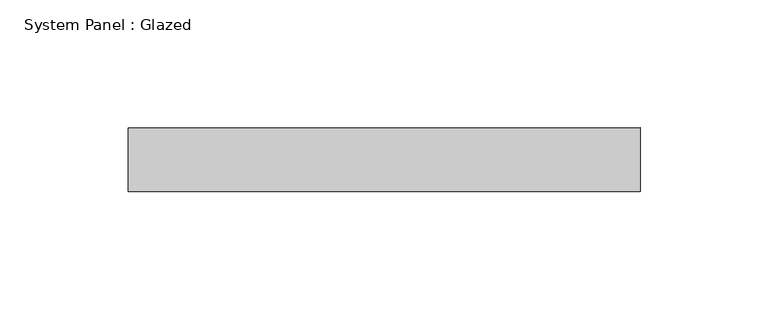
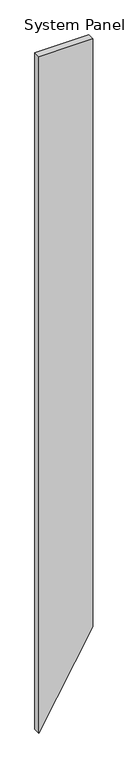
"""IFC4 building model written with IfcOpenShell, lengths in millimetres: plate geometry, System Panel : Glazed."""

from ifc_helpers import new_model, si_unit, frame, origin, place, context, project, spatial, polyline, outline, extrude, source, transform, mapped, element, save


def system_panel_glazed_1e2c3a98(model_context):
    return source(origin(), model_context, "Body", "SweptSolid", [
        extrude(outline(polyline([(0.0, -100.0), (346.4101615, 100.0), (2653.589838, 100.0), (2653.589838, -100.0), (0.0, -100.0)])), frame((0.0, 24.5, 0.0), z_axis=(0.0, 1.0, 0.0), x_axis=(0.0, 0.0, 1.0)), (0.0, 0.0, 1.0), 25.0),
    ])


if __name__ == "__main__":
    model = new_model("IFC4")
    model_context = context("Model", 3, world=origin())
    ifc_project = project(units=[si_unit("LENGTHUNIT", "METRE", prefix="MILLI")], contexts=[model_context])
    site = spatial("IfcSite", under=ifc_project)
    building = spatial("IfcBuilding", under=site)
    placement = place(None, origin())
    system_panel_glazed_shape = system_panel_glazed_1e2c3a98(model_context)
    element("IfcPlate", 1, ObjectType="System Panel : Glazed", at=placement, inside=building, context=model_context, shape_type="MappedRepresentation", body=[
        mapped(system_panel_glazed_shape, transform((0.0, 0.0, 0.0), x_axis=(1.0, 0.0, 0.0), y_axis=(0.0, 1.0, 0.0), z_axis=(0.0, 0.0, 1.0))),
    ])
    save(model, "model.ifc")
